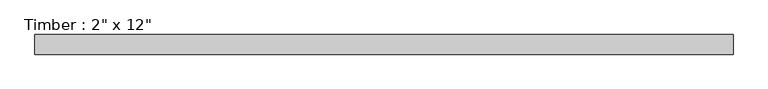
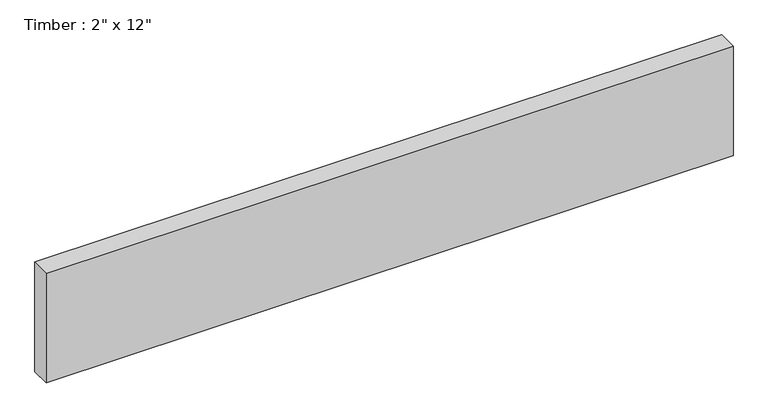
"""IFC4 building model written with IfcOpenShell, lengths in millimetres: beam geometry."""

from ifc_helpers import new_model, si_unit, frame, origin, place, context, project, spatial, polyline, outline, extrude, source, transform, mapped, element, save


def beam_6dfd7b28(model_context):
    return source(origin(), model_context, "Body", "SweptSolid", [
        extrude(outline(polyline([(902.2043111, 25.4), (902.2043111, -25.4), (-902.2043111, -25.4), (-902.2043111, 25.4), (902.2043111, 25.4)])), frame((0.0, 0.0, -152.4), z_axis=(0.0, 0.0, 1.0), x_axis=(1.0, 0.0, 0.0)), (0.0, 0.0, 1.0), 304.8),
    ])


if __name__ == "__main__":
    model = new_model("IFC4")
    model_context = context("Model", 3, world=origin())
    ifc_project = project(units=[si_unit("LENGTHUNIT", "METRE", prefix="MILLI")], contexts=[model_context])
    site = spatial("IfcSite", under=ifc_project)
    building = spatial("IfcBuilding", under=site)
    placement = place(None, origin())
    beam_shape = beam_6dfd7b28(model_context)
    element("IfcBeam", 1, ObjectType="Timber : 2\" x 12\"", at=placement, inside=building, context=model_context, shape_type="MappedRepresentation", body=[
        mapped(beam_shape, transform((0.0, 0.0, 0.0), x_axis=(1.0, 0.0, 0.0), y_axis=(0.0, 1.0, 0.0), z_axis=(0.0, 0.0, 1.0))),
    ])
    save(model, "model.ifc")
